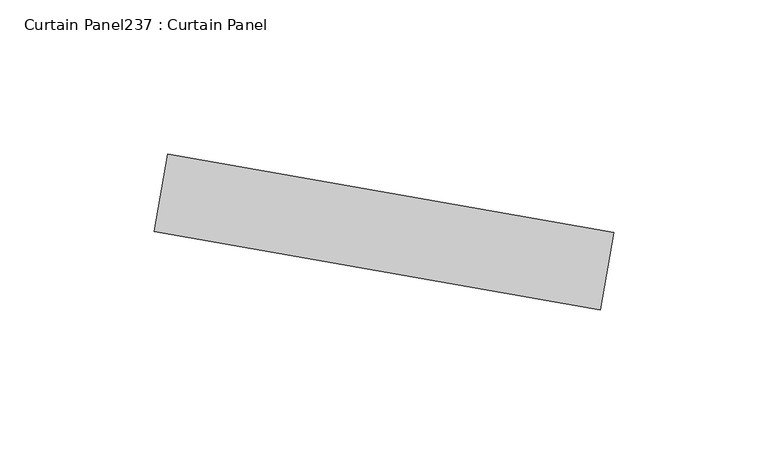
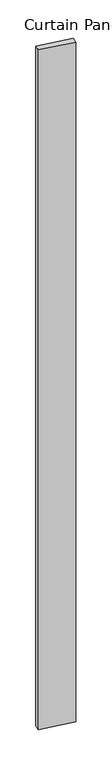
"""IFC4 building model written with IfcOpenShell, lengths in millimetres: plate geometry, Curtain Panel237 : Curtain Panel."""

from ifc_helpers import new_model, si_unit, frame, origin, place, context, project, spatial, polyline, outline, extrude, source, transform, mapped, element, save


def curtain_panel237_curtain_panel_720c1df8(model_context):
    return source(origin(), model_context, "Body", "SweptSolid", [
        extrude(outline(polyline([(645425.7288702, 2132.6039445), (645281.3770702, 2158.0570615), (645285.7877339, 2183.0711784), (645430.1395339, 2157.6180614), (645425.7288702, 2132.6039445)])), frame((0.0, 0.0, 4959.7989371), z_axis=(0.0, 0.0, 1.0), x_axis=(1.0, 0.0, 0.0)), (0.0, 0.0, 1.0), 3048.0),
    ])


if __name__ == "__main__":
    model = new_model("IFC4")
    model_context = context("Model", 3, world=origin())
    ifc_project = project(units=[si_unit("LENGTHUNIT", "METRE", prefix="MILLI")], contexts=[model_context])
    site = spatial("IfcSite", under=ifc_project)
    building = spatial("IfcBuilding", under=site)
    placement = place(None, origin())
    curtain_panel237_curtain_panel_shape = curtain_panel237_curtain_panel_720c1df8(model_context)
    element("IfcPlate", 1, ObjectType="Curtain Panel237 : Curtain Panel", at=placement, inside=building, context=model_context, shape_type="MappedRepresentation", body=[
        mapped(curtain_panel237_curtain_panel_shape, transform((0.0, 0.0, 0.0), x_axis=(1.0, 0.0, 0.0), y_axis=(0.0, 1.0, 0.0), z_axis=(0.0, 0.0, 1.0))),
    ])
    save(model, "model.ifc")
